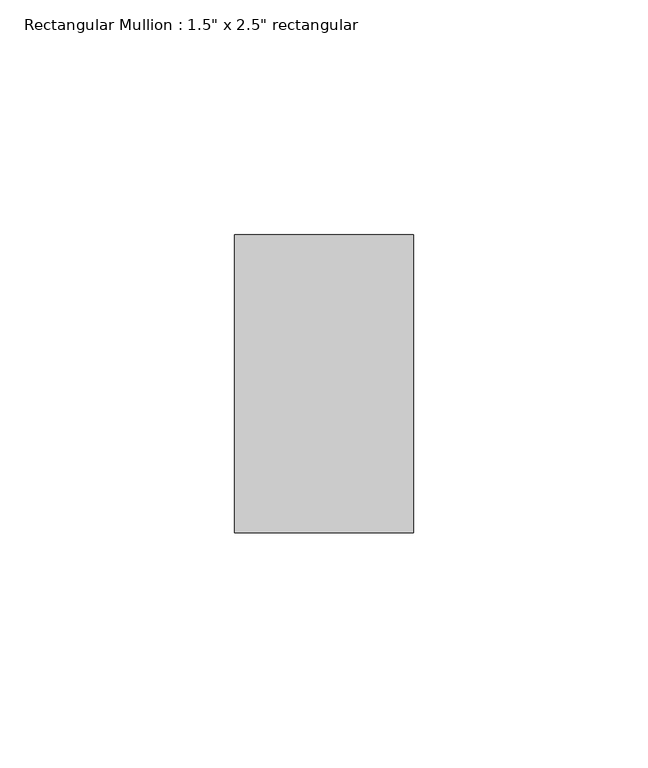
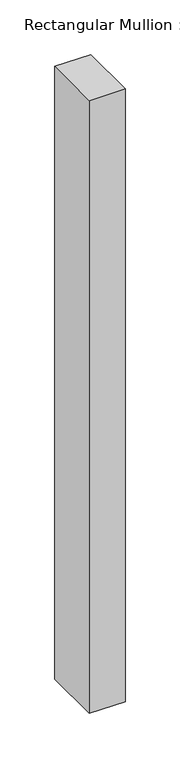
"""IFC4 building model written with IfcOpenShell, lengths in millimetres: member geometry."""

from ifc_helpers import new_model, si_unit, frame, origin, place, context, project, spatial, polyline, outline, extrude, source, transform, mapped, element, save


def member_6458fcce(model_context):
    return source(origin(), model_context, "Body", "SweptSolid", [
        extrude(outline(polyline([(19.05, 31.75), (19.05, -31.75), (-19.05, -31.75), (-19.05, 31.75), (19.05, 31.75)])), frame((0.0, 0.0, -685.8), z_axis=(0.0, 0.0, 1.0), x_axis=(1.0, 0.0, 0.0)), (0.0, 0.0, 1.0), 685.8),
    ])


if __name__ == "__main__":
    model = new_model("IFC4")
    model_context = context("Model", 3, world=origin())
    ifc_project = project(units=[si_unit("LENGTHUNIT", "METRE", prefix="MILLI")], contexts=[model_context])
    site = spatial("IfcSite", under=ifc_project)
    building = spatial("IfcBuilding", under=site)
    placement = place(None, origin())
    member_shape = member_6458fcce(model_context)
    element("IfcMember", 1, ObjectType="Rectangular Mullion : 1.5\" x 2.5\" rectangular", at=placement, inside=building, context=model_context, shape_type="MappedRepresentation", body=[
        mapped(member_shape, transform((0.0, 0.0, 0.0), x_axis=(1.0, 0.0, 0.0), y_axis=(0.0, 1.0, 0.0), z_axis=(0.0, 0.0, 1.0))),
    ])
    save(model, "model.ifc")
